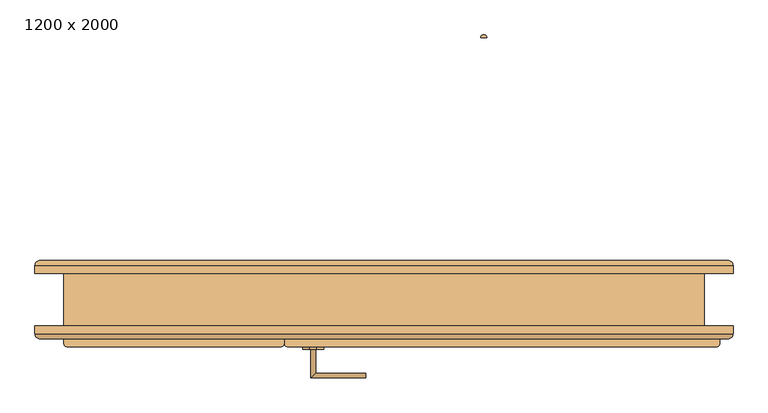
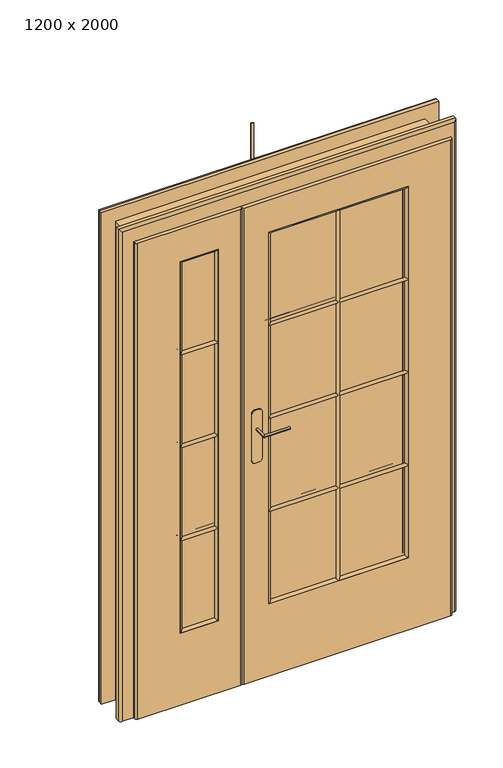
"""IFC4 building model written with IfcOpenShell, lengths in millimetres: door geometry, 1200 x 2000."""

from ifc_helpers import new_model, si_unit, point, frame, frame_2d, origin, origin_with_axes, place, context, project, spatial, polyline, circle_curve, ellipse_curve, trimmed, segment, composite_curve, outline, extrude, source, transform, mapped, element, save
from ifc_brep_helpers import plane_surface, cylinder_surface, advanced_brep


def door_1200_x_2000_0795423e(model_context):
    return source(origin(), model_context, "Body", "SolidModel", [
        extrude(outline(polyline([(200.0, -95.0), (200.0, -105.0), (50.0, -105.0), (50.0, -95.0), (200.0, -95.0)])), frame((0.0, 0.0, 300.0), z_axis=(0.0, 0.0, 1.0), x_axis=(1.0, 0.0, 0.0)), (0.0, 0.0, 1.0), 1550.0),
        advanced_brep(
        [(-125.0, -100.0, 1985.0), (-125.0, -108.0, 1985.0), (-118.0, -115.0, 1985.0), (288.0, -115.0, 1985.0), (295.0, -108.0, 1985.0), (295.0, -100.0, 1985.0), (305.0, -100.0, 1985.0), (305.0, -85.0, 1985.0), (-115.0, -85.0, 1985.0), (-115.0, -100.0, 1985.0), (-125.0, -100.0, 0.0), (-115.0, -100.0, 0.0), (-115.0, -85.0, 0.0), (305.0, -85.0, 0.0), (305.0, -100.0, 0.0), (295.0, -100.0, 0.0), (295.0, -108.0, 0.0), (288.0, -115.0, 0.0), (-118.0, -115.0, 0.0), (-125.0, -108.0, 0.0), (200.0, -85.0, 300.0), (200.0, -85.0, 1850.0), (50.0, -85.0, 1850.0), (50.0, -85.0, 300.0), (50.0, -115.0, 300.0), (50.0, -115.0, 1850.0), (200.0, -115.0, 1850.0), (200.0, -115.0, 300.0)],
        [
            (0, 1),
            (1, 2, circle_curve(frame((-118.0, -108.0, 1985.0), z_axis=(0.0, 0.0, 1.0), x_axis=(1.0, 0.0, 0.0)), 7.0)),
            (2, 3),
            (3, 4, circle_curve(frame((288.0, -108.0, 1985.0), z_axis=(0.0, 0.0, 1.0), x_axis=(1.0, 0.0, 0.0)), 7.0)),
            (4, 5),
            (5, 6),
            (6, 7),
            (7, 8),
            (8, 9),
            (9, 0),
            (10, 11),
            (11, 12),
            (12, 13),
            (13, 14),
            (14, 15),
            (15, 16),
            (16, 17, circle_curve(frame((288.0, -108.0, 0.0), z_axis=(0.0, 0.0, -1.0), x_axis=(1.0, 0.0, 0.0)), 7.0)),
            (17, 18),
            (18, 19, circle_curve(frame((-118.0, -108.0, 0.0), z_axis=(0.0, 0.0, -1.0), x_axis=(1.0, 0.0, 0.0)), 7.0)),
            (19, 10),
            (9, 11),
            (10, 0),
            (8, 12),
            (7, 13),
            (20, 21),
            (21, 22),
            (22, 23),
            (23, 20),
            (6, 14),
            (5, 15),
            (4, 16),
            (3, 17),
            (2, 18),
            (24, 25),
            (25, 26),
            (26, 27),
            (27, 24),
            (1, 19),
            (23, 24),
            (27, 20),
            (26, 21),
            (25, 22),
        ],
        [
            plane_surface(frame((-115.0, -100.0, 1985.0), z_axis=(0.0, 0.0, 1.0), x_axis=(1.0, 0.0, 0.0))),
            plane_surface(frame((-115.0, -100.0, 0.0), z_axis=(0.0, 0.0, -1.0), x_axis=(-1.0, 0.0, 0.0))),
            plane_surface(frame((-125.0, -100.0, 1985.0), z_axis=(0.0, 1.0, 0.0), x_axis=(0.0, 0.0, -1.0))),
            plane_surface(frame((-115.0, -100.0, 1985.0), z_axis=(-1.0, 0.0, 0.0), x_axis=(0.0, 0.0, -1.0))),
            plane_surface(frame((-115.0, -85.0, 1985.0), z_axis=(0.0, 1.0, 0.0), x_axis=(0.0, 0.0, -1.0))),
            plane_surface(frame((305.0, -85.0, 1985.0), z_axis=(1.0, 0.0, 0.0), x_axis=(0.0, 0.0, -1.0))),
            plane_surface(frame((305.0, -100.0, 1985.0), z_axis=(0.0, -1.0, 0.0), x_axis=(0.0, 0.0, -1.0))),
            plane_surface(frame((295.0, -100.0, 1985.0), z_axis=(1.0, 0.0, 0.0), x_axis=(0.0, 0.0, -1.0))),
            cylinder_surface(frame((288.0, -108.0, 0.0), z_axis=(0.0, 0.0, 1.0), x_axis=(1.0, 0.0, 0.0)), 7.0),
            plane_surface(frame((288.0, -115.0, 1985.0), z_axis=(0.0, -1.0, 0.0), x_axis=(0.0, 0.0, -1.0))),
            cylinder_surface(frame((-118.0, -108.0, 0.0), z_axis=(0.0, 0.0, 1.0), x_axis=(1.0, 0.0, 0.0)), 7.0),
            plane_surface(frame((-125.0, -108.0, 1985.0), z_axis=(-1.0, 0.0, 0.0), x_axis=(0.0, 0.0, -1.0))),
            plane_surface(frame((50.0, -85.0, 300.0), z_axis=(0.0, 0.0, 1.0), x_axis=(0.0, -1.0, 0.0))),
            plane_surface(frame((200.0, -85.0, 300.0), z_axis=(-1.0, 0.0, 0.0), x_axis=(0.0, -1.0, 0.0))),
            plane_surface(frame((200.0, -85.0, 1850.0), z_axis=(0.0, 0.0, -1.0), x_axis=(0.0, -1.0, 0.0))),
            plane_surface(frame((50.0, -85.0, 1850.0), z_axis=(1.0, 0.0, 0.0), x_axis=(0.0, -1.0, 0.0))),
        ],
        [
            (0, [[1, 2, 3, 4, 5, 6, 7, 8, 9, 10]]),
            (1, [[11, 12, 13, 14, 15, 16, 17, 18, 19, 20]]),
            (2, [[21, -11, 22, -10]]),
            (3, [[23, -12, -21, -9]]),
            (4, [[24, -13, -23, -8], [25, 26, 27, 28]]),
            (5, [[29, -14, -24, -7]]),
            (6, [[30, -15, -29, -6]]),
            (7, [[31, -16, -30, -5]]),
            (8, [[32, -17, -31, -4]]),
            (9, [[33, -18, -32, -3], [34, 35, 36, 37]]),
            (10, [[38, -19, -33, -2]]),
            (11, [[-22, -20, -38, -1]]),
            (12, [[-28, 39, -37, 40]]),
            (13, [[-36, 41, -25, -40]]),
            (14, [[-35, 42, -26, -41]]),
            (15, [[-27, -42, -34, -39]]),
        ],
    ),
        extrude(outline(composite_curve([segment(polyline([(681.1237244, 475.0), (668.8762756, 475.0)]), True, "CONTINUOUS"), segment(trimmed(circle_curve(frame_2d((675.0, 473.75)), 6.25), [point((668.8762756, 475.0))], [point((681.1237244, 475.0))], False, "CARTESIAN"), True, "CONTINUOUS")], self_intersect=False)), frame((0.0, 0.0, 300.0), z_axis=(0.0, 0.0, 1.0), x_axis=(1.0, 0.0, 0.0)), (0.0, 0.0, 1.0), 1550.0),
        extrude(outline(polyline([(950.0, -95.0), (950.0, -105.0), (400.0, -105.0), (400.0, -95.0), (950.0, -95.0)])), frame((0.0, 0.0, 300.0), z_axis=(0.0, 0.0, 1.0), x_axis=(1.0, 0.0, 0.0)), (0.0, 0.0, 1.0), 1550.0),
        advanced_brep(
        [(1115.0, -85.0, 1985.0), (305.0, -85.0, 1985.0), (305.0, -100.0, 1985.0), (295.0, -100.0, 1985.0), (295.0, -108.0, 1985.0), (302.0, -115.0, 1985.0), (1118.0, -115.0, 1985.0), (1125.0, -108.0, 1985.0), (1125.0, -100.0, 1985.0), (1115.0, -100.0, 1985.0), (1115.0, -85.0, 0.0), (1115.0, -100.0, 0.0), (1125.0, -100.0, 0.0), (1125.0, -108.0, 0.0), (1118.0, -115.0, 0.0), (302.0, -115.0, 0.0), (295.0, -108.0, 0.0), (295.0, -100.0, 0.0), (305.0, -100.0, 0.0), (305.0, -85.0, 0.0), (400.0, -115.0, 300.0), (400.0, -115.0, 1850.0), (950.0, -115.0, 1850.0), (950.0, -115.0, 300.0), (950.0, -85.0, 300.0), (950.0, -85.0, 1850.0), (400.0, -85.0, 1850.0), (400.0, -85.0, 300.0)],
        [
            (0, 1),
            (1, 2),
            (2, 3),
            (3, 4),
            (4, 5, circle_curve(frame((302.0, -108.0, 1985.0), z_axis=(0.0, 0.0, 1.0), x_axis=(1.0, 0.0, 0.0)), 7.0)),
            (5, 6),
            (6, 7, circle_curve(frame((1118.0, -108.0, 1985.0), z_axis=(0.0, 0.0, 1.0), x_axis=(1.0, 0.0, 0.0)), 7.0)),
            (7, 8),
            (8, 9),
            (9, 0),
            (10, 11),
            (11, 12),
            (12, 13),
            (13, 14, circle_curve(frame((1118.0, -108.0, 0.0), z_axis=(0.0, 0.0, -1.0), x_axis=(1.0, 0.0, 0.0)), 7.0)),
            (14, 15),
            (15, 16, circle_curve(frame((302.0, -108.0, 0.0), z_axis=(0.0, 0.0, -1.0), x_axis=(1.0, 0.0, 0.0)), 7.0)),
            (16, 17),
            (17, 18),
            (18, 19),
            (19, 10),
            (9, 11),
            (10, 0),
            (8, 12),
            (7, 13),
            (6, 14),
            (5, 15),
            (20, 21),
            (21, 22),
            (22, 23),
            (23, 20),
            (4, 16),
            (3, 17),
            (2, 18),
            (1, 19),
            (24, 25),
            (25, 26),
            (26, 27),
            (27, 24),
            (27, 20),
            (23, 24),
            (22, 25),
            (21, 26),
        ],
        [
            plane_surface(frame((1115.0, -100.0, 1985.0), z_axis=(0.0, 0.0, 1.0), x_axis=(0.0, -1.0, 0.0))),
            plane_surface(frame((1115.0, -100.0, 0.0), z_axis=(0.0, 0.0, -1.0), x_axis=(0.0, 1.0, 0.0))),
            plane_surface(frame((1115.0, -85.0, 1985.0), z_axis=(1.0, 0.0, 0.0), x_axis=(0.0, 0.0, -1.0))),
            plane_surface(frame((1115.0, -100.0, 1985.0), z_axis=(0.0, 1.0, 0.0), x_axis=(0.0, 0.0, -1.0))),
            plane_surface(frame((1125.0, -100.0, 1985.0), z_axis=(1.0, 0.0, 0.0), x_axis=(0.0, 0.0, -1.0))),
            cylinder_surface(frame((1118.0, -108.0, 0.0), z_axis=(0.0, 0.0, 1.0), x_axis=(1.0, 0.0, 0.0)), 7.0),
            plane_surface(frame((1118.0, -115.0, 1985.0), z_axis=(0.0, -1.0, 0.0), x_axis=(0.0, 0.0, -1.0))),
            cylinder_surface(frame((302.0, -108.0, 0.0), z_axis=(0.0, 0.0, 1.0), x_axis=(1.0, 0.0, 0.0)), 7.0),
            plane_surface(frame((295.0, -108.0, 1985.0), z_axis=(-1.0, 0.0, 0.0), x_axis=(0.0, 0.0, -1.0))),
            plane_surface(frame((295.0, -100.0, 1985.0), z_axis=(0.0, 1.0, 0.0), x_axis=(0.0, 0.0, -1.0))),
            plane_surface(frame((305.0, -100.0, 1985.0), z_axis=(-1.0, 0.0, 0.0), x_axis=(0.0, 0.0, -1.0))),
            plane_surface(frame((305.0, -85.0, 1985.0), z_axis=(0.0, 1.0, 0.0), x_axis=(0.0, 0.0, -1.0))),
            plane_surface(frame((400.0, -85.0, 300.0), z_axis=(0.0, 0.0, 1.0), x_axis=(0.0, -1.0, 0.0))),
            plane_surface(frame((950.0, -85.0, 300.0), z_axis=(-1.0, 0.0, 0.0), x_axis=(0.0, -1.0, 0.0))),
            plane_surface(frame((950.0, -85.0, 1850.0), z_axis=(0.0, 0.0, -1.0), x_axis=(0.0, -1.0, 0.0))),
            plane_surface(frame((400.0, -85.0, 1850.0), z_axis=(1.0, 0.0, 0.0), x_axis=(0.0, -1.0, 0.0))),
        ],
        [
            (0, [[1, 2, 3, 4, 5, 6, 7, 8, 9, 10]]),
            (1, [[11, 12, 13, 14, 15, 16, 17, 18, 19, 20]]),
            (2, [[21, -11, 22, -10]]),
            (3, [[23, -12, -21, -9]]),
            (4, [[24, -13, -23, -8]]),
            (5, [[25, -14, -24, -7]]),
            (6, [[26, -15, -25, -6], [27, 28, 29, 30]]),
            (7, [[31, -16, -26, -5]]),
            (8, [[32, -17, -31, -4]]),
            (9, [[33, -18, -32, -3]]),
            (10, [[34, -19, -33, -2]]),
            (11, [[-22, -20, -34, -1], [35, 36, 37, 38]]),
            (12, [[-38, 39, -30, 40]]),
            (13, [[-29, 41, -35, -40]]),
            (14, [[-28, 42, -36, -41]]),
            (15, [[-37, -42, -27, -39]]),
        ],
    ),
        advanced_brep(
        [(-180.0, 25.0, 0.0), (-180.0, 40.0, 0.0), (-170.0, 50.0, 0.0), (-115.0, 50.0, 0.0), (-100.0, 35.0, 0.0), (-100.0, -85.0, 0.0), (-115.0, -85.0, 0.0), (-115.0, -100.0, 0.0), (-170.0, -100.0, 0.0), (-180.0, -90.0, 0.0), (-180.0, -75.0, 0.0), (-125.0, -75.0, 0.0), (-125.0, 25.0, 0.0), (-125.0, 25.0, 1995.0), (1095.0, 25.0, 1995.0), (1095.0, 25.0, 0.0), (1150.0, 25.0, 0.0), (1150.0, 25.0, 2050.0), (-180.0, 25.0, 2050.0), (-125.0, -75.0, 1995.0), (-180.0, -75.0, 2050.0), (1150.0, -75.0, 2050.0), (1150.0, -75.0, 0.0), (1095.0, -75.0, 0.0), (1095.0, -75.0, 1995.0), (-180.0, -90.0, 2050.0), (-170.0, -100.0, 2040.0), (-115.0, -100.0, 1985.0), (1085.0, -100.0, 1985.0), (1085.0, -100.0, 0.0), (1140.0, -100.0, 0.0), (1140.0, -100.0, 2040.0), (-115.0, -85.0, 1985.0), (-100.0, -85.0, 1970.0), (1070.0, -85.0, 1970.0), (1070.0, -85.0, 0.0), (1085.0, -85.0, 0.0), (1085.0, -85.0, 1985.0), (-100.0, 35.0, 1970.0), (-115.0, 50.0, 1985.0), (-170.0, 50.0, 2040.0), (1140.0, 50.0, 2040.0), (1140.0, 50.0, 0.0), (1085.0, 50.0, 0.0), (1085.0, 50.0, 1985.0), (-180.0, 40.0, 2050.0), (1150.0, -90.0, 2050.0), (1070.0, 35.0, 1970.0), (1150.0, 40.0, 2050.0), (1150.0, -90.0, 0.0), (1070.0, 35.0, 0.0), (1150.0, 40.0, 0.0)],
        [
            (0, 1),
            (1, 2, circle_curve(frame((-170.0, 40.0, 0.0), z_axis=(0.0, 0.0, -1.0), x_axis=(-1.0, 0.0, 0.0)), 10.0)),
            (2, 3),
            (3, 4, circle_curve(frame((-115.0, 35.0, 0.0), z_axis=(0.0, 0.0, -1.0), x_axis=(-1.0, 0.0, 0.0)), 15.0)),
            (4, 5),
            (5, 6),
            (6, 7),
            (7, 8),
            (8, 9, circle_curve(frame((-170.0, -90.0, 0.0), z_axis=(0.0, 0.0, -1.0), x_axis=(-1.0, 0.0, 0.0)), 10.0)),
            (9, 10),
            (10, 11),
            (11, 12),
            (12, 0),
            (12, 13),
            (13, 14),
            (14, 15),
            (15, 16),
            (16, 17),
            (17, 18),
            (18, 0),
            (11, 19),
            (19, 13),
            (10, 20),
            (20, 21),
            (21, 22),
            (22, 23),
            (23, 24),
            (24, 19),
            (9, 25),
            (25, 20),
            (8, 26),
            (26, 25, ellipse_curve(frame((-170.0, -90.0, 2040.0), z_axis=(-0.7071067811865475, 0.0, -0.7071067811865475), x_axis=(0.7071067811865474, 0.0, -0.7071067811865476)), 14.1421356, 10.0)),
            (7, 27),
            (27, 28),
            (28, 29),
            (29, 30),
            (30, 31),
            (31, 26),
            (6, 32),
            (32, 27),
            (5, 33),
            (33, 34),
            (34, 35),
            (35, 36),
            (36, 37),
            (37, 32),
            (4, 38),
            (38, 33),
            (3, 39),
            (39, 38, ellipse_curve(frame((-115.0, 35.0, 1985.0), z_axis=(-0.7071067811865475, 0.0, -0.7071067811865475), x_axis=(0.7071067811865474, 0.0, -0.7071067811865476)), 21.2132034, 15.0)),
            (2, 40),
            (40, 41),
            (41, 42),
            (42, 43),
            (43, 44),
            (44, 39),
            (1, 45),
            (45, 40, ellipse_curve(frame((-170.0, 40.0, 2040.0), z_axis=(-0.7071067811865475, 0.0, -0.7071067811865475), x_axis=(0.7071067811865474, 0.0, -0.7071067811865476)), 14.1421356, 10.0)),
            (18, 45),
            (24, 14),
            (25, 46),
            (46, 21),
            (31, 46, ellipse_curve(frame((1140.0, -90.0, 2040.0), z_axis=(-0.7071067811865475, 0.0, 0.7071067811865475), x_axis=(-0.7071067811865476, 0.0, -0.7071067811865474)), 14.1421356, 10.0)),
            (37, 28),
            (38, 47),
            (47, 34),
            (44, 47, ellipse_curve(frame((1085.0, 35.0, 1985.0), z_axis=(-0.7071067811865475, 0.0, 0.7071067811865475), x_axis=(-0.7071067811865476, 0.0, -0.7071067811865474)), 21.2132034, 15.0)),
            (45, 48),
            (48, 41, ellipse_curve(frame((1140.0, 40.0, 2040.0), z_axis=(-0.7071067811865475, 0.0, 0.7071067811865475), x_axis=(-0.7071067811865476, 0.0, -0.7071067811865474)), 14.1421356, 10.0)),
            (17, 48),
            (15, 23),
            (22, 49),
            (49, 30, circle_curve(frame((1140.0, -90.0, 0.0), z_axis=(0.0, 0.0, -1.0), x_axis=(1.0, 0.0, 0.0)), 10.0)),
            (29, 36),
            (35, 50),
            (50, 43, circle_curve(frame((1085.0, 35.0, 0.0), z_axis=(0.0, 0.0, -1.0), x_axis=(1.0, 0.0, 0.0)), 15.0)),
            (42, 51, circle_curve(frame((1140.0, 40.0, 0.0), z_axis=(0.0, 0.0, -1.0), x_axis=(1.0, 0.0, 0.0)), 10.0)),
            (51, 16),
            (46, 49),
            (47, 50),
            (48, 51),
        ],
        [
            plane_surface(frame((-180.0, 67.3457432, 0.0), z_axis=(0.0, 0.0, -1.0), x_axis=(1.0, 0.0, 0.0))),
            plane_surface(frame((-180.0, 25.0, 0.0), z_axis=(0.0, -1.0, 0.0), x_axis=(0.0, 0.0, 1.0))),
            plane_surface(frame((-125.0, 25.0, 0.0), z_axis=(-1.0, 0.0, 0.0), x_axis=(0.0, 0.0, 1.0))),
            plane_surface(frame((-125.0, -75.0, 0.0), z_axis=(0.0, 1.0, 0.0), x_axis=(0.0, 0.0, 1.0))),
            plane_surface(frame((-180.0, -75.0, 0.0), z_axis=(-1.0, 0.0, 0.0), x_axis=(0.0, 0.0, 1.0))),
            cylinder_surface(frame((-170.0, -90.0, 0.0), z_axis=(0.0, 0.0, -1.0), x_axis=(-1.0, 0.0, 0.0)), 10.0),
            plane_surface(frame((-170.0, -100.0, 0.0), z_axis=(0.0, -1.0, 0.0), x_axis=(0.0, 0.0, 1.0))),
            plane_surface(frame((-115.0, -100.0, 0.0), z_axis=(1.0, 0.0, 0.0), x_axis=(0.0, 0.0, 1.0))),
            plane_surface(frame((-115.0, -85.0, 0.0), z_axis=(0.0, -1.0, 0.0), x_axis=(0.0, 0.0, 1.0))),
            plane_surface(frame((-100.0, -85.0, 0.0), z_axis=(1.0, 0.0, 0.0), x_axis=(0.0, 0.0, 1.0))),
            cylinder_surface(frame((-115.0, 35.0, 0.0), z_axis=(0.0, 0.0, -1.0), x_axis=(-1.0, 0.0, 0.0)), 15.0),
            plane_surface(frame((-115.0, 50.0, 0.0), z_axis=(0.0, 1.0, 0.0), x_axis=(0.0, 0.0, 1.0))),
            cylinder_surface(frame((-170.0, 40.0, 0.0), z_axis=(0.0, 0.0, -1.0), x_axis=(-1.0, 0.0, 0.0)), 10.0),
            plane_surface(frame((-180.0, 40.0, 0.0), z_axis=(-1.0, 0.0, 0.0), x_axis=(0.0, 0.0, 1.0))),
            plane_surface(frame((-125.0, 25.0, 1995.0), z_axis=(0.0, 0.0, 1.0), x_axis=(1.0, 0.0, 0.0))),
            plane_surface(frame((-180.0, -75.0, 2050.0), z_axis=(0.0, 0.0, 1.0), x_axis=(1.0, 0.0, 0.0))),
            cylinder_surface(frame((-180.0, -90.0, 2040.0), z_axis=(-1.0, 0.0, 0.0), x_axis=(0.0, 0.0, 1.0)), 10.0),
            plane_surface(frame((-115.0, -100.0, 1985.0), z_axis=(0.0, 0.0, -1.0), x_axis=(1.0, 0.0, 0.0))),
            plane_surface(frame((-100.0, -85.0, 1970.0), z_axis=(0.0, 0.0, -1.0), x_axis=(1.0, 0.0, 0.0))),
            cylinder_surface(frame((-180.0, 35.0, 1985.0), z_axis=(-1.0, 0.0, 0.0), x_axis=(0.0, 0.0, 1.0)), 15.0),
            cylinder_surface(frame((-180.0, 40.0, 2040.0), z_axis=(-1.0, 0.0, 0.0), x_axis=(0.0, 0.0, 1.0)), 10.0),
            plane_surface(frame((-180.0, 40.0, 2050.0), z_axis=(0.0, 0.0, 1.0), x_axis=(1.0, 0.0, 0.0))),
            plane_surface(frame((1150.0, 67.3457432, 0.0), z_axis=(0.0, 0.0, -1.0), x_axis=(-1.0, 0.0, 0.0))),
            plane_surface(frame((1095.0, 25.0, 1995.0), z_axis=(1.0, 0.0, 0.0), x_axis=(0.0, 0.0, -1.0))),
            plane_surface(frame((1150.0, -75.0, 2050.0), z_axis=(1.0, 0.0, 0.0), x_axis=(0.0, 0.0, -1.0))),
            cylinder_surface(frame((1140.0, -90.0, 2050.0), z_axis=(0.0, 0.0, 1.0), x_axis=(1.0, 0.0, 0.0)), 10.0),
            plane_surface(frame((1085.0, -100.0, 1985.0), z_axis=(-1.0, 0.0, 0.0), x_axis=(0.0, 0.0, -1.0))),
            plane_surface(frame((1070.0, -85.0, 1970.0), z_axis=(-1.0, 0.0, 0.0), x_axis=(0.0, 0.0, -1.0))),
            cylinder_surface(frame((1085.0, 35.0, 2050.0), z_axis=(0.0, 0.0, 1.0), x_axis=(1.0, 0.0, 0.0)), 15.0),
            cylinder_surface(frame((1140.0, 40.0, 2050.0), z_axis=(0.0, 0.0, 1.0), x_axis=(1.0, 0.0, 0.0)), 10.0),
            plane_surface(frame((1150.0, 40.0, 2050.0), z_axis=(1.0, 0.0, 0.0), x_axis=(0.0, 0.0, -1.0))),
        ],
        [
            (0, [[1, 2, 3, 4, 5, 6, 7, 8, 9, 10, 11, 12, 13]]),
            (1, [[14, 15, 16, 17, 18, 19, 20, -13]]),
            (2, [[21, 22, -14, -12]]),
            (3, [[23, 24, 25, 26, 27, 28, -21, -11]]),
            (4, [[29, 30, -23, -10]]),
            (5, [[31, 32, -29, -9]]),
            (6, [[33, 34, 35, 36, 37, 38, -31, -8]]),
            (7, [[39, 40, -33, -7]]),
            (8, [[41, 42, 43, 44, 45, 46, -39, -6]]),
            (9, [[47, 48, -41, -5]]),
            (10, [[49, 50, -47, -4]]),
            (11, [[51, 52, 53, 54, 55, 56, -49, -3]]),
            (12, [[57, 58, -51, -2]]),
            (13, [[-20, 59, -57, -1]]),
            (14, [[-22, -28, 60, -15]]),
            (15, [[-30, 61, 62, -24]]),
            (16, [[-38, 63, -61, -32]]),
            (17, [[-40, -46, 64, -34]]),
            (18, [[-48, 65, 66, -42]]),
            (19, [[-56, 67, -65, -50]]),
            (20, [[-58, 68, 69, -52]]),
            (21, [[70, -68, -59, -19]]),
            (22, [[71, -26, 72, 73, -36, 74, -44, 75, 76, -54, 77, 78, -17]]),
            (23, [[-60, -27, -71, -16]]),
            (24, [[-62, 79, -72, -25]]),
            (25, [[-73, -79, -63, -37]]),
            (26, [[-64, -45, -74, -35]]),
            (27, [[-66, 80, -75, -43]]),
            (28, [[-76, -80, -67, -55]]),
            (29, [[-69, 81, -77, -53]]),
            (30, [[-78, -81, -70, -18]]),
        ],
    ),
        extrude(outline(composite_curve([segment(trimmed(circle_curve(frame_2d((923.0, 357.0)), 13.0), [point((910.0, 357.0))], [point((923.0, 370.0))], False, "CARTESIAN"), True, "CONTINUOUS"), segment(polyline([(923.0, 370.0), (1117.0, 370.0)]), True, "CONTINUOUS"), segment(trimmed(circle_curve(frame_2d((1117.0, 357.0)), 13.0), [point((1117.0, 370.0))], [point((1130.0, 357.0))], False, "CARTESIAN"), True, "CONTINUOUS"), segment(polyline([(1130.0, 357.0), (1130.0, 343.0)]), True, "CONTINUOUS"), segment(trimmed(circle_curve(frame_2d((1117.0, 343.0)), 13.0), [point((1130.0, 343.0))], [point((1117.0, 330.0))], False, "CARTESIAN"), True, "CONTINUOUS"), segment(polyline([(1117.0, 330.0), (923.0, 330.0)]), True, "CONTINUOUS"), segment(trimmed(circle_curve(frame_2d((923.0, 343.0)), 13.0), [point((923.0, 330.0))], [point((910.0, 343.0))], False, "CARTESIAN"), True, "CONTINUOUS"), segment(polyline([(910.0, 343.0), (910.0, 357.0)]), True, "CONTINUOUS")], self_intersect=False)), frame((0.0, -85.0, 0.0), z_axis=(0.0, 1.0, 0.0), x_axis=(0.0, 0.0, 1.0)), (0.0, 0.0, 1.0), 4.0),
        extrude(outline(composite_curve([segment(trimmed(circle_curve(frame_2d((1117.0, 343.0)), 13.0), [point((1130.0, 343.0))], [point((1117.0, 330.0))], False, "CARTESIAN"), True, "CONTINUOUS"), segment(polyline([(1117.0, 330.0), (923.0, 330.0)]), True, "CONTINUOUS"), segment(trimmed(circle_curve(frame_2d((923.0, 343.0)), 13.0), [point((923.0, 330.0))], [point((910.0, 343.0))], False, "CARTESIAN"), True, "CONTINUOUS"), segment(polyline([(910.0, 343.0), (910.0, 357.0)]), True, "CONTINUOUS"), segment(trimmed(circle_curve(frame_2d((923.0, 357.0)), 13.0), [point((910.0, 357.0))], [point((923.0, 370.0))], False, "CARTESIAN"), True, "CONTINUOUS"), segment(polyline([(923.0, 370.0), (1117.0, 370.0)]), True, "CONTINUOUS"), segment(trimmed(circle_curve(frame_2d((1117.0, 357.0)), 13.0), [point((1117.0, 370.0))], [point((1130.0, 357.0))], False, "CARTESIAN"), True, "CONTINUOUS"), segment(polyline([(1130.0, 357.0), (1130.0, 343.0)]), True, "CONTINUOUS")], self_intersect=False)), frame((0.0, -120.0, 0.0), z_axis=(0.0, 1.0, 0.0), x_axis=(0.0, 0.0, 1.0)), (0.0, 0.0, 1.0), 5.0),
        extrude(outline(polyline([(1070.0, 25.0), (1070.0, -75.0), (-100.0, -75.0), (-100.0, 25.0), (1070.0, 25.0)])), origin_with_axes(), (0.0, 0.0, 1.0), 25.0),
        advanced_brep(
        [(50.0, -115.0, 300.0), (50.0, -115.0, 1850.0), (50.0, -105.0, 1850.0), (50.0, -105.0, 300.0), (60.0, -105.0, 310.0), (60.0, -105.0, 1840.0), (200.0, -115.0, 1850.0), (200.0, -105.0, 1850.0), (190.0, -105.0, 1840.0), (200.0, -115.0, 300.0), (200.0, -105.0, 300.0), (190.0, -105.0, 310.0)],
        [
            (0, 1),
            (1, 2),
            (2, 3),
            (3, 0),
            (4, 5),
            (5, 1, ellipse_curve(frame((50.0, -105.0, 1850.0), z_axis=(-0.7071067811865475, 0.0, -0.7071067811865475), x_axis=(0.7071067811865474, 0.0, -0.7071067811865476)), 14.1421356, 10.0)),
            (0, 4, ellipse_curve(frame((50.0, -105.0, 300.0), z_axis=(-0.7071067811865475, 0.0, 0.7071067811865475), x_axis=(-0.7071067811865474, 0.0, -0.7071067811865476)), 14.1421356, 10.0)),
            (1, 6),
            (6, 7),
            (7, 2),
            (5, 8),
            (8, 6, ellipse_curve(frame((200.0, -105.0, 1850.0), z_axis=(-0.7071067811865475, 0.0, 0.7071067811865475), x_axis=(-0.7071067811865476, 0.0, -0.7071067811865474)), 14.1421356, 10.0)),
            (6, 9),
            (9, 10),
            (10, 7),
            (8, 11),
            (11, 9, ellipse_curve(frame((200.0, -105.0, 300.0), z_axis=(0.7071067811865475, 0.0, 0.7071067811865475), x_axis=(-0.7071067811865474, 0.0, 0.7071067811865476)), 14.1421356, 10.0)),
            (9, 0),
            (3, 10),
            (11, 4),
        ],
        [
            plane_surface(frame((50.0, -105.0, 300.0), z_axis=(-1.0, 0.0, 0.0), x_axis=(0.0, 0.0, 1.0))),
            cylinder_surface(frame((50.0, -105.0, 300.0), z_axis=(0.0, 0.0, -1.0), x_axis=(-1.0, 0.0, 0.0)), 10.0),
            plane_surface(frame((50.0, -105.0, 1850.0), z_axis=(0.0, 0.0, 1.0), x_axis=(1.0, 0.0, 0.0))),
            cylinder_surface(frame((50.0, -105.0, 1850.0), z_axis=(-1.0, 0.0, 0.0), x_axis=(0.0, 0.0, 1.0)), 10.0),
            plane_surface(frame((200.0, -105.0, 1850.0), z_axis=(1.0, 0.0, 0.0), x_axis=(0.0, 0.0, -1.0))),
            cylinder_surface(frame((200.0, -105.0, 1850.0), z_axis=(0.0, 0.0, 1.0), x_axis=(1.0, 0.0, 0.0)), 10.0),
            plane_surface(frame((200.0, -105.0, 300.0), z_axis=(0.0, 0.0, -1.0), x_axis=(-1.0, 0.0, 0.0))),
            cylinder_surface(frame((200.0, -105.0, 300.0), z_axis=(1.0, 0.0, 0.0), x_axis=(0.0, 0.0, -1.0)), 10.0),
            plane_surface(frame((190.0, -105.0, 310.0), z_axis=(0.0, 1.0, 0.0), x_axis=(-1.0, 0.0, 0.0))),
        ],
        [
            (0, [[1, 2, 3, 4]]),
            (1, [[5, 6, -1, 7]]),
            (2, [[8, 9, 10, -2]]),
            (3, [[11, 12, -8, -6]]),
            (4, [[13, 14, 15, -9]]),
            (5, [[16, 17, -13, -12]]),
            (6, [[18, -4, 19, -14]]),
            (7, [[20, -7, -18, -17]]),
            (8, [[-3, -10, -15, -19], [-5, -20, -16, -11]]),
        ],
    ),
        advanced_brep(
        [(200.0, -85.0529432, 300.0), (200.0, -85.0529432, 1850.0), (200.0, -95.0, 1850.0), (200.0, -95.0, 300.0), (190.0529432, -95.0, 309.9470568), (190.0529432, -95.0, 1840.0529432), (50.0, -85.0529432, 1850.0), (50.0, -95.0, 1850.0), (59.9470568, -95.0, 1840.0529432), (50.0, -85.0529432, 300.0), (50.0, -95.0, 300.0), (59.9470568, -95.0, 309.9470568)],
        [
            (0, 1),
            (1, 2),
            (2, 3),
            (3, 0),
            (4, 5),
            (5, 1, ellipse_curve(frame((200.0, -95.0, 1850.0), z_axis=(0.7071067811865475, 0.0, -0.7071067811865475), x_axis=(-0.7071067811865474, 0.0, -0.7071067811865476)), 14.0672627, 9.9470568)),
            (0, 4, ellipse_curve(frame((200.0, -95.0, 300.0), z_axis=(0.7071067811865475, 0.0, 0.7071067811865475), x_axis=(0.7071067811865474, 0.0, -0.7071067811865476)), 14.0672627, 9.9470568)),
            (1, 6),
            (6, 7),
            (7, 2),
            (5, 8),
            (8, 6, ellipse_curve(frame((50.0, -95.0, 1850.0), z_axis=(0.7071067811865475, 0.0, 0.7071067811865475), x_axis=(0.7071067811865476, 0.0, -0.7071067811865474)), 14.0672627, 9.9470568)),
            (6, 9),
            (9, 10),
            (10, 7),
            (8, 11),
            (11, 9, ellipse_curve(frame((50.0, -95.0, 300.0), z_axis=(-0.7071067811865475, 0.0, 0.7071067811865475), x_axis=(0.7071067811865474, 0.0, 0.7071067811865476)), 14.0672627, 9.9470568)),
            (9, 0),
            (3, 10),
            (11, 4),
        ],
        [
            plane_surface(frame((200.0, -95.0, 300.0), z_axis=(1.0, 0.0, 0.0), x_axis=(0.0, 0.0, 1.0))),
            cylinder_surface(frame((200.0, -95.0, 300.0), z_axis=(0.0, 0.0, -1.0), x_axis=(1.0, 0.0, 0.0)), 9.9470568),
            plane_surface(frame((200.0, -95.0, 1850.0), z_axis=(0.0, 0.0, 1.0), x_axis=(-1.0, 0.0, 0.0))),
            cylinder_surface(frame((200.0, -95.0, 1850.0), z_axis=(1.0, 0.0, 0.0), x_axis=(0.0, 0.0, 1.0)), 9.9470568),
            plane_surface(frame((50.0, -95.0, 1850.0), z_axis=(-1.0, 0.0, 0.0), x_axis=(0.0, 0.0, -1.0))),
            cylinder_surface(frame((50.0, -95.0, 1850.0), z_axis=(0.0, 0.0, 1.0), x_axis=(-1.0, 0.0, 0.0)), 9.9470568),
            plane_surface(frame((50.0, -95.0, 300.0), z_axis=(0.0, 0.0, -1.0), x_axis=(1.0, 0.0, 0.0))),
            cylinder_surface(frame((50.0, -95.0, 300.0), z_axis=(-1.0, 0.0, 0.0), x_axis=(0.0, 0.0, -1.0)), 9.9470568),
            plane_surface(frame((59.9470568, -95.0, 309.9470568), z_axis=(0.0, -1.0, 0.0), x_axis=(1.0, 0.0, 0.0))),
        ],
        [
            (0, [[1, 2, 3, 4]]),
            (1, [[5, 6, -1, 7]]),
            (2, [[8, 9, 10, -2]]),
            (3, [[11, 12, -8, -6]]),
            (4, [[13, 14, 15, -9]]),
            (5, [[16, 17, -13, -12]]),
            (6, [[18, -4, 19, -14]]),
            (7, [[20, -7, -18, -17]]),
            (8, [[-3, -10, -15, -19], [-5, -20, -16, -11]]),
        ],
    ),
        extrude(outline(composite_curve([segment(trimmed(circle_curve(frame_2d((-91.245733, 1462.4437895)), 6.245986), [point((-95.0, 1467.4355648))], [point((-95.0, 1457.4520143))], False, "CARTESIAN"), True, "CONTINUOUS"), segment(polyline([(-95.0, 1457.4520143), (-95.0, 1467.4355648)]), True, "CONTINUOUS")], self_intersect=False)), frame((50.0, 0.0, 0.0), z_axis=(1.0, 0.0, 0.0), x_axis=(0.0, 1.0, 0.0)), (0.0, 0.0, 1.0), 150.0),
        extrude(outline(composite_curve([segment(trimmed(circle_curve(frame_2d((-91.1766519, 1075.0497794)), 6.1768525), [point((-95.0, 1079.901121))], [point((-95.0, 1070.1984377))], False, "CARTESIAN"), True, "CONTINUOUS"), segment(polyline([(-95.0, 1070.1984377), (-95.0, 1079.901121)]), True, "CONTINUOUS")], self_intersect=False)), frame((50.0, 0.0, 0.0), z_axis=(1.0, 0.0, 0.0), x_axis=(0.0, 1.0, 0.0)), (0.0, 0.0, 1.0), 150.0),
        extrude(outline(composite_curve([segment(trimmed(circle_curve(frame_2d((-91.25, 687.5)), 6.25), [point((-95.0, 692.5))], [point((-95.0, 682.5))], False, "CARTESIAN"), True, "CONTINUOUS"), segment(polyline([(-95.0, 682.5), (-95.0, 692.5)]), True, "CONTINUOUS")], self_intersect=False)), frame((50.0, 0.0, 0.0), z_axis=(1.0, 0.0, 0.0), x_axis=(0.0, 1.0, 0.0)), (0.0, 0.0, 1.0), 150.0),
        extrude(outline(composite_curve([segment(polyline([(-105.0, 1467.5), (-105.0, 1457.5)]), True, "CONTINUOUS"), segment(trimmed(circle_curve(frame_2d((-108.75, 1462.5)), 6.25), [point((-105.0, 1457.5))], [point((-105.0, 1467.5))], False, "CARTESIAN"), True, "CONTINUOUS")], self_intersect=False)), frame((50.0, 0.0, 0.0), z_axis=(1.0, 0.0, 0.0), x_axis=(0.0, 1.0, 0.0)), (0.0, 0.0, 1.0), 150.0),
        extrude(outline(composite_curve([segment(polyline([(-105.0, 1080.0), (-105.0, 1070.0)]), True, "CONTINUOUS"), segment(trimmed(circle_curve(frame_2d((-108.75, 1075.0)), 6.25), [point((-105.0, 1070.0))], [point((-105.0, 1080.0))], False, "CARTESIAN"), True, "CONTINUOUS")], self_intersect=False)), frame((50.0, 0.0, 0.0), z_axis=(1.0, 0.0, 0.0), x_axis=(0.0, 1.0, 0.0)), (0.0, 0.0, 1.0), 150.0),
        extrude(outline(composite_curve([segment(polyline([(-105.0, 692.5), (-105.0, 682.5)]), True, "CONTINUOUS"), segment(trimmed(circle_curve(frame_2d((-108.75, 687.5)), 6.25), [point((-105.0, 682.5))], [point((-105.0, 692.5))], False, "CARTESIAN"), True, "CONTINUOUS")], self_intersect=False)), frame((50.0, 0.0, 0.0), z_axis=(1.0, 0.0, 0.0), x_axis=(0.0, 1.0, 0.0)), (0.0, 0.0, 1.0), 150.0),
        extrude(outline(composite_curve([segment(trimmed(circle_curve(frame_2d((675.0710405, -108.6707183)), 6.2027553), [point((680.0710405, -105.0))], [point((670.0710405, -105.0))], False, "CARTESIAN"), True, "CONTINUOUS"), segment(polyline([(670.0710405, -105.0), (680.0710405, -105.0)]), True, "CONTINUOUS")], self_intersect=False)), frame((0.0, 0.0, 300.0), z_axis=(0.0, 0.0, 1.0), x_axis=(1.0, 0.0, 0.0)), (0.0, 0.0, 1.0), 1550.0),
        extrude(outline(composite_curve([segment(trimmed(circle_curve(frame_2d((-91.1766519, 1075.0497794)), 6.1768525), [point((-95.0, 1079.901121))], [point((-95.0, 1070.1984377))], False, "CARTESIAN"), True, "CONTINUOUS"), segment(polyline([(-95.0, 1070.1984377), (-95.0, 1079.901121)]), True, "CONTINUOUS")], self_intersect=False)), frame((400.0, 0.0, 0.0), z_axis=(1.0, 0.0, 0.0), x_axis=(0.0, 1.0, 0.0)), (0.0, 0.0, 1.0), 550.0),
        extrude(outline(composite_curve([segment(polyline([(-95.0, 1457.4520143), (-95.0, 1467.4355648)]), True, "CONTINUOUS"), segment(trimmed(circle_curve(frame_2d((-91.245733, 1462.4437895)), 6.245986), [point((-95.0, 1467.4355648))], [point((-95.0, 1457.4520143))], False, "CARTESIAN"), True, "CONTINUOUS")], self_intersect=False)), frame((400.0, 0.0, 0.0), z_axis=(1.0, 0.0, 0.0), x_axis=(0.0, 1.0, 0.0)), (0.0, 0.0, 1.0), 550.0),
        extrude(outline(composite_curve([segment(trimmed(circle_curve(frame_2d((-91.25, 687.5)), 6.25), [point((-95.0, 692.5))], [point((-95.0, 682.5))], False, "CARTESIAN"), True, "CONTINUOUS"), segment(polyline([(-95.0, 682.5), (-95.0, 692.5)]), True, "CONTINUOUS")], self_intersect=False)), frame((400.0, 0.0, 0.0), z_axis=(1.0, 0.0, 0.0), x_axis=(0.0, 1.0, 0.0)), (0.0, 0.0, 1.0), 550.0),
        extrude(outline(composite_curve([segment(polyline([(-105.0, 1467.5), (-105.0, 1457.5)]), True, "CONTINUOUS"), segment(trimmed(circle_curve(frame_2d((-108.75, 1462.5)), 6.25), [point((-105.0, 1457.5))], [point((-105.0, 1467.5))], False, "CARTESIAN"), True, "CONTINUOUS")], self_intersect=False)), frame((400.0, 0.0, 0.0), z_axis=(1.0, 0.0, 0.0), x_axis=(0.0, 1.0, 0.0)), (0.0, 0.0, 1.0), 550.0),
        extrude(outline(composite_curve([segment(polyline([(-105.0, 1080.0), (-105.0, 1070.0)]), True, "CONTINUOUS"), segment(trimmed(circle_curve(frame_2d((-108.75, 1075.0)), 6.25), [point((-105.0, 1070.0))], [point((-105.0, 1080.0))], False, "CARTESIAN"), True, "CONTINUOUS")], self_intersect=False)), frame((400.0, 0.0, 0.0), z_axis=(1.0, 0.0, 0.0), x_axis=(0.0, 1.0, 0.0)), (0.0, 0.0, 1.0), 550.0),
        extrude(outline(composite_curve([segment(polyline([(-105.0, 692.5), (-105.0, 682.5)]), True, "CONTINUOUS"), segment(trimmed(circle_curve(frame_2d((-108.75, 687.5)), 6.25), [point((-105.0, 682.5))], [point((-105.0, 692.5))], False, "CARTESIAN"), True, "CONTINUOUS")], self_intersect=False)), frame((400.0, 0.0, 0.0), z_axis=(1.0, 0.0, 0.0), x_axis=(0.0, 1.0, 0.0)), (0.0, 0.0, 1.0), 550.0),
        advanced_brep(
        [(400.0, -115.0, 300.0), (400.0, -115.0, 1850.0), (400.0, -105.0, 1850.0), (400.0, -105.0, 300.0), (410.0, -105.0, 310.0), (410.0, -105.0, 1840.0), (950.0, -115.0, 1850.0), (950.0, -105.0, 1850.0), (940.0, -105.0, 1840.0), (950.0, -105.0, 300.0), (940.0, -105.0, 310.0), (950.0, -115.0, 300.0)],
        [
            (0, 1),
            (1, 2),
            (2, 3),
            (3, 0),
            (4, 5),
            (5, 1, ellipse_curve(frame((400.0, -105.0, 1850.0), z_axis=(-0.7071067811865475, 0.0, -0.7071067811865475), x_axis=(0.7071067811865474, 0.0, -0.7071067811865476)), 14.1421356, 10.0)),
            (0, 4, ellipse_curve(frame((400.0, -105.0, 300.0), z_axis=(-0.7071067811865475, 0.0, 0.7071067811865475), x_axis=(-0.7071067811865474, 0.0, -0.7071067811865476)), 14.1421356, 10.0)),
            (1, 6),
            (6, 7),
            (7, 2),
            (5, 8),
            (8, 6, ellipse_curve(frame((950.0, -105.0, 1850.0), z_axis=(-0.7071067811865475, 0.0, 0.7071067811865475), x_axis=(-0.7071067811865476, 0.0, -0.7071067811865474)), 14.1421356, 10.0)),
            (7, 9),
            (9, 3),
            (4, 10),
            (10, 8),
            (6, 11),
            (11, 9),
            (10, 11, ellipse_curve(frame((950.0, -105.0, 300.0), z_axis=(0.7071067811865475, 0.0, 0.7071067811865475), x_axis=(-0.7071067811865474, 0.0, 0.7071067811865476)), 14.1421356, 10.0)),
            (11, 0),
        ],
        [
            plane_surface(frame((400.0, -105.0, 300.0), z_axis=(-1.0, 0.0, 0.0), x_axis=(0.0, 0.0, 1.0))),
            cylinder_surface(frame((400.0, -105.0, 300.0), z_axis=(0.0, 0.0, -1.0), x_axis=(1.0, 0.0, 0.0)), 10.0),
            plane_surface(frame((400.0, -105.0, 1850.0), z_axis=(0.0, 0.0, 1.0), x_axis=(1.0, 0.0, 0.0))),
            cylinder_surface(frame((400.0, -105.0, 1850.0), z_axis=(-1.0, 0.0, 0.0), x_axis=(0.0, 0.0, -1.0)), 10.0),
            plane_surface(frame((410.0, -105.0, 1840.0), z_axis=(0.0, 1.0, 0.0), x_axis=(1.0, 0.0, 0.0))),
            plane_surface(frame((950.0, -105.0, 1850.0), z_axis=(1.0, 0.0, 0.0), x_axis=(0.0, 0.0, -1.0))),
            cylinder_surface(frame((950.0, -105.0, 1850.0), z_axis=(0.0, 0.0, 1.0), x_axis=(-1.0, 0.0, 0.0)), 10.0),
            plane_surface(frame((950.0, -105.0, 300.0), z_axis=(0.0, 0.0, -1.0), x_axis=(-1.0, 0.0, 0.0))),
            cylinder_surface(frame((950.0, -105.0, 300.0), z_axis=(1.0, 0.0, 0.0), x_axis=(0.0, 0.0, 1.0)), 10.0),
        ],
        [
            (0, [[1, 2, 3, 4]]),
            (1, [[5, 6, -1, 7]]),
            (2, [[8, 9, 10, -2]]),
            (3, [[11, 12, -8, -6]]),
            (4, [[13, 14, -3, -10], [-11, -5, 15, 16]]),
            (5, [[17, 18, -13, -9]]),
            (6, [[-16, 19, -17, -12]]),
            (7, [[20, -4, -14, -18]]),
            (8, [[-15, -7, -20, -19]]),
        ],
    ),
        advanced_brep(
        [(950.0, -85.0, 300.0), (950.0, -85.0, 1850.0), (950.0, -95.0, 1850.0), (950.0, -95.0, 300.0), (940.0, -95.0, 310.0), (940.0, -95.0, 1840.0), (400.0, -85.0, 1850.0), (400.0, -95.0, 1850.0), (410.0, -95.0, 1840.0), (400.0, -95.0, 300.0), (410.0, -95.0, 310.0), (400.0, -85.0, 300.0)],
        [
            (0, 1),
            (1, 2),
            (2, 3),
            (3, 0),
            (4, 5),
            (5, 1, ellipse_curve(frame((950.0, -95.0, 1850.0), z_axis=(0.7071067811865475, 0.0, -0.7071067811865475), x_axis=(-0.7071067811865474, 0.0, -0.7071067811865476)), 14.1421356, 10.0)),
            (0, 4, ellipse_curve(frame((950.0, -95.0, 300.0), z_axis=(0.7071067811865475, 0.0, 0.7071067811865475), x_axis=(0.7071067811865474, 0.0, -0.7071067811865476)), 14.1421356, 10.0)),
            (1, 6),
            (6, 7),
            (7, 2),
            (5, 8),
            (8, 6, ellipse_curve(frame((400.0, -95.0, 1850.0), z_axis=(0.7071067811865475, 0.0, 0.7071067811865475), x_axis=(0.7071067811865476, 0.0, -0.7071067811865474)), 14.1421356, 10.0)),
            (7, 9),
            (9, 3),
            (4, 10),
            (10, 8),
            (6, 11),
            (11, 9),
            (10, 11, ellipse_curve(frame((400.0, -95.0, 300.0), z_axis=(-0.7071067811865475, 0.0, 0.7071067811865475), x_axis=(0.7071067811865474, 0.0, 0.7071067811865476)), 14.1421356, 10.0)),
            (11, 0),
        ],
        [
            plane_surface(frame((950.0, -95.0, 300.0), z_axis=(1.0, 0.0, 0.0), x_axis=(0.0, 0.0, 1.0))),
            cylinder_surface(frame((950.0, -95.0, 300.0), z_axis=(0.0, 0.0, -1.0), x_axis=(-1.0, 0.0, 0.0)), 10.0),
            plane_surface(frame((950.0, -95.0, 1850.0), z_axis=(0.0, 0.0, 1.0), x_axis=(-1.0, 0.0, 0.0))),
            cylinder_surface(frame((950.0, -95.0, 1850.0), z_axis=(1.0, 0.0, 0.0), x_axis=(0.0, 0.0, -1.0)), 10.0),
            plane_surface(frame((940.0, -95.0, 1840.0), z_axis=(0.0, -1.0, 0.0), x_axis=(-1.0, 0.0, 0.0))),
            plane_surface(frame((400.0, -95.0, 1850.0), z_axis=(-1.0, 0.0, 0.0), x_axis=(0.0, 0.0, -1.0))),
            cylinder_surface(frame((400.0, -95.0, 1850.0), z_axis=(0.0, 0.0, 1.0), x_axis=(1.0, 0.0, 0.0)), 10.0),
            plane_surface(frame((400.0, -95.0, 300.0), z_axis=(0.0, 0.0, -1.0), x_axis=(1.0, 0.0, 0.0))),
            cylinder_surface(frame((400.0, -95.0, 300.0), z_axis=(-1.0, 0.0, 0.0), x_axis=(0.0, 0.0, 1.0)), 10.0),
        ],
        [
            (0, [[1, 2, 3, 4]]),
            (1, [[5, 6, -1, 7]]),
            (2, [[8, 9, 10, -2]]),
            (3, [[11, 12, -8, -6]]),
            (4, [[13, 14, -3, -10], [-11, -5, 15, 16]]),
            (5, [[17, 18, -13, -9]]),
            (6, [[-16, 19, -17, -12]]),
            (7, [[20, -4, -14, -18]]),
            (8, [[-15, -7, -20, -19]]),
        ],
    ),
        advanced_brep(
        [(354.6642471, -120.0, 1050.0), (345.3357529, -120.0, 1050.0), (345.3357529, -174.2293221, 1050.0), (354.6642471, -164.900828, 1050.0), (450.1543223, -164.900828, 1050.0), (450.1543223, -174.2293221, 1050.0)],
        [
            (0, 1, circle_curve(frame((350.0, -120.0, 1050.0), z_axis=(0.0, 1.0, 0.0), x_axis=(-1.0, 0.0, 0.0)), 4.6642471)),
            (1, 0, circle_curve(frame((350.0, -120.0, 1050.0), z_axis=(0.0, 1.0, 0.0), x_axis=(-1.0, 0.0, 0.0)), 4.6642471)),
            (1, 2),
            (2, 3, ellipse_curve(frame((350.0, -169.565075, 1050.0), z_axis=(-0.7071067811865475, 0.7071067811865475, 0.0), x_axis=(0.7071067811865474, 0.7071067811865476, 0.0)), 6.5962415, 4.6642471)),
            (3, 0),
            (3, 2, ellipse_curve(frame((350.0, -169.565075, 1050.0), z_axis=(-0.7071067811865475, 0.7071067811865475, 0.0), x_axis=(0.7071067811865474, 0.7071067811865476, 0.0)), 6.5962415, 4.6642471)),
            (4, 5, circle_curve(frame((450.1543223, -169.565075, 1050.0), z_axis=(1.0, 0.0, 0.0), x_axis=(0.0, -1.0, 0.0)), 4.6642471)),
            (5, 4, circle_curve(frame((450.1543223, -169.565075, 1050.0), z_axis=(1.0, 0.0, 0.0), x_axis=(0.0, -1.0, 0.0)), 4.6642471)),
            (2, 5),
            (4, 3),
        ],
        [
            plane_surface(frame((345.3357529, -120.0, 1050.0), z_axis=(0.0, 1.0, 0.0), x_axis=(0.0, 0.0, 1.0))),
            cylinder_surface(frame((350.0, -120.0, 1050.0), z_axis=(0.0, 1.0, 0.0), x_axis=(-1.0, 0.0, 0.0)), 4.6642471),
            plane_surface(frame((450.1543223, -169.565075, 1045.3357529), z_axis=(1.0, 0.0, 0.0), x_axis=(0.0, -1.0, 0.0))),
            cylinder_surface(frame((350.0, -169.565075, 1050.0), z_axis=(-1.0, 0.0, 0.0), x_axis=(0.0, -1.0, 0.0)), 4.6642471),
        ],
        [
            (0, [[1, 2]]),
            (1, [[3, 4, 5, -2]]),
            (1, [[-5, 6, -3, -1]]),
            (2, [[7, 8]]),
            (3, [[9, -7, 10, -4]]),
            (3, [[-10, -8, -9, -6]]),
        ],
    ),
        advanced_brep(
        [(344.7311195, -80.0, 1050.0), (355.2688805, -80.0, 1050.0), (355.2688805, -35.405324, 1050.0), (344.7311195, -24.867563, 1050.0), (450.3094276, -24.867563, 1050.0), (450.3094276, -35.405324, 1050.0)],
        [
            (0, 1, circle_curve(frame((350.0, -80.0, 1050.0), z_axis=(0.0, -1.0, 0.0), x_axis=(1.0, 0.0, 0.0)), 5.2688805)),
            (1, 0, circle_curve(frame((350.0, -80.0, 1050.0), z_axis=(0.0, -1.0, 0.0), x_axis=(1.0, 0.0, 0.0)), 5.2688805)),
            (1, 2),
            (2, 3, ellipse_curve(frame((350.0, -30.1364435, 1050.0), z_axis=(-0.7071067811865475, -0.7071067811865475, 0.0), x_axis=(0.7071067811865474, -0.7071067811865476, 0.0)), 7.4513222, 5.2688805)),
            (3, 0),
            (3, 2, ellipse_curve(frame((350.0, -30.1364435, 1050.0), z_axis=(-0.7071067811865475, -0.7071067811865475, 0.0), x_axis=(0.7071067811865474, -0.7071067811865476, 0.0)), 7.4513222, 5.2688805)),
            (4, 5, circle_curve(frame((450.3094276, -30.1364435, 1050.0), z_axis=(1.0, 0.0, 0.0), x_axis=(0.0, -1.0, 0.0)), 5.2688805)),
            (5, 4, circle_curve(frame((450.3094276, -30.1364435, 1050.0), z_axis=(1.0, 0.0, 0.0), x_axis=(0.0, -1.0, 0.0)), 5.2688805)),
            (2, 5),
            (4, 3),
        ],
        [
            plane_surface(frame((344.7311195, -80.0, 1050.0), z_axis=(0.0, -1.0, 0.0), x_axis=(0.0, 0.0, -1.0))),
            cylinder_surface(frame((350.0, -80.0, 1050.0), z_axis=(0.0, -1.0, 0.0), x_axis=(1.0, 0.0, 0.0)), 5.2688805),
            plane_surface(frame((450.3094276, -30.1364435, 1044.7311195), z_axis=(1.0, 0.0, 0.0), x_axis=(0.0, -1.0, 0.0))),
            cylinder_surface(frame((350.0, -30.1364435, 1050.0), z_axis=(-1.0, 0.0, 0.0), x_axis=(0.0, -1.0, 0.0)), 5.2688805),
        ],
        [
            (0, [[1, 2]]),
            (1, [[3, 4, 5, -2]]),
            (1, [[-5, 6, -3, -1]]),
            (2, [[7, 8]]),
            (3, [[9, -7, 10, -4]]),
            (3, [[-10, -8, -9, -6]]),
        ],
    ),
    ])


if __name__ == "__main__":
    model = new_model("IFC4")
    model_context = context("Model", 3, world=origin())
    ifc_project = project(units=[si_unit("LENGTHUNIT", "METRE", prefix="MILLI")], contexts=[model_context])
    site = spatial("IfcSite", under=ifc_project)
    building = spatial("IfcBuilding", under=site)
    placement = place(None, origin())
    door_1200_x_2000_shape = door_1200_x_2000_0795423e(model_context)
    element("IfcDoor", 1, ObjectType="1200 x 2000", at=placement, inside=building, context=model_context, shape_type="MappedRepresentation", body=[
        mapped(door_1200_x_2000_shape, transform((0.0, 0.0, 0.0), x_axis=(1.0, 0.0, 0.0), y_axis=(0.0, 1.0, 0.0), z_axis=(0.0, 0.0, 1.0))),
    ])
    save(model, "model.ifc")
